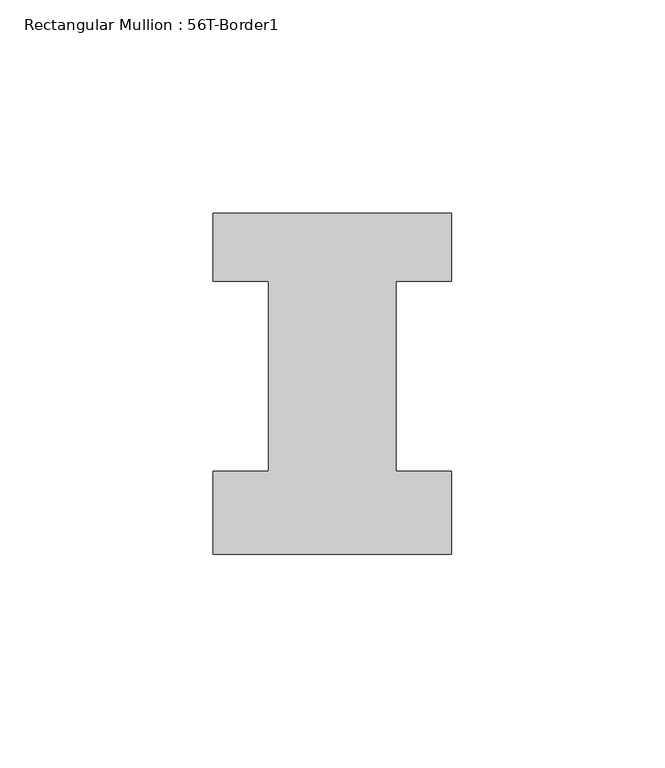
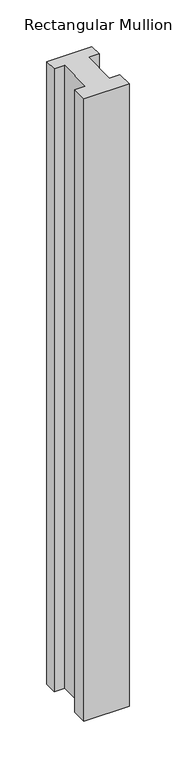
"""IFC4 building model written with IfcOpenShell, lengths in millimetres: member geometry, Rectangular Mullion : 56T-Border1."""

from ifc_helpers import new_model, si_unit, frame, origin, place, context, project, spatial, polyline, outline, extrude, source, transform, mapped, element, save


def rectangular_mullion_56t_border1_6900a830(model_context):
    return source(origin(), model_context, "Body", "SweptSolid", [
        extrude(outline(polyline([(-56.0, -20.0), (-56.0, -0.5), (-43.0, -0.5), (-43.0, 44.0), (-56.0, 44.0), (-56.0, 60.0), (0.0, 60.0), (0.0, 44.0), (-13.0, 44.0), (-13.0, -0.5), (0.0, -0.5), (0.0, -20.0), (-56.0, -20.0)])), frame((0.0, 0.0, -816.0), z_axis=(0.0, 0.0, 1.0), x_axis=(1.0, 0.0, 0.0)), (0.0, 0.0, 1.0), 816.0),
    ])


if __name__ == "__main__":
    model = new_model("IFC4")
    model_context = context("Model", 3, world=origin())
    ifc_project = project(units=[si_unit("LENGTHUNIT", "METRE", prefix="MILLI")], contexts=[model_context])
    site = spatial("IfcSite", under=ifc_project)
    building = spatial("IfcBuilding", under=site)
    placement = place(None, origin())
    rectangular_mullion_56t_border1_shape = rectangular_mullion_56t_border1_6900a830(model_context)
    element("IfcMember", 1, ObjectType="Rectangular Mullion : 56T-Border1", at=placement, inside=building, context=model_context, shape_type="MappedRepresentation", body=[
        mapped(rectangular_mullion_56t_border1_shape, transform((0.0, 0.0, 0.0), x_axis=(1.0, 0.0, 0.0), y_axis=(0.0, 1.0, 0.0), z_axis=(0.0, 0.0, 1.0))),
    ])
    save(model, "model.ifc")
